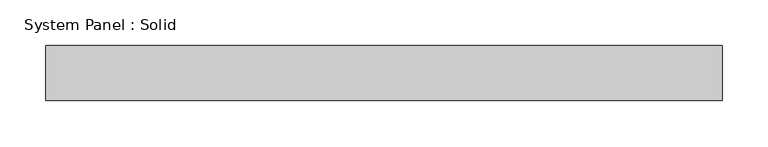
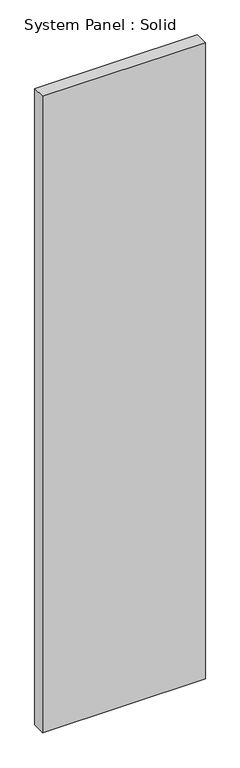
"""IFC4 building model written with IfcOpenShell, lengths in millimetres: plate geometry, System Panel : Solid."""

from ifc_helpers import new_model, si_unit, origin, origin_with_axes, place, context, project, spatial, polyline, outline, extrude, source, transform, mapped, element, save


def system_panel_solid_303beda7(model_context):
    return source(origin(), model_context, "Body", "SweptSolid", [
        extrude(outline(polyline([(368.3, -49.5), (-368.3, -49.5), (-368.3, 10.5), (368.3, 10.5), (368.3, -49.5)])), origin_with_axes(), (0.0, 0.0, 1.0), 3041.65),
    ])


if __name__ == "__main__":
    model = new_model("IFC4")
    model_context = context("Model", 3, world=origin())
    ifc_project = project(units=[si_unit("LENGTHUNIT", "METRE", prefix="MILLI")], contexts=[model_context])
    site = spatial("IfcSite", under=ifc_project)
    building = spatial("IfcBuilding", under=site)
    placement = place(None, origin())
    system_panel_solid_shape = system_panel_solid_303beda7(model_context)
    element("IfcPlate", 1, ObjectType="System Panel : Solid", at=placement, inside=building, context=model_context, shape_type="MappedRepresentation", body=[
        mapped(system_panel_solid_shape, transform((0.0, 0.0, 0.0), x_axis=(1.0, 0.0, 0.0), y_axis=(0.0, 1.0, 0.0), z_axis=(0.0, 0.0, 1.0))),
    ])
    save(model, "model.ifc")
